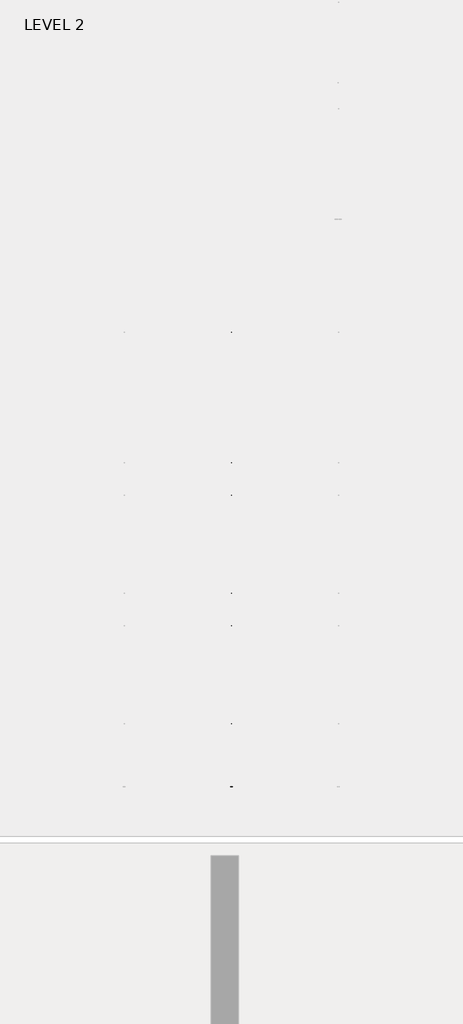
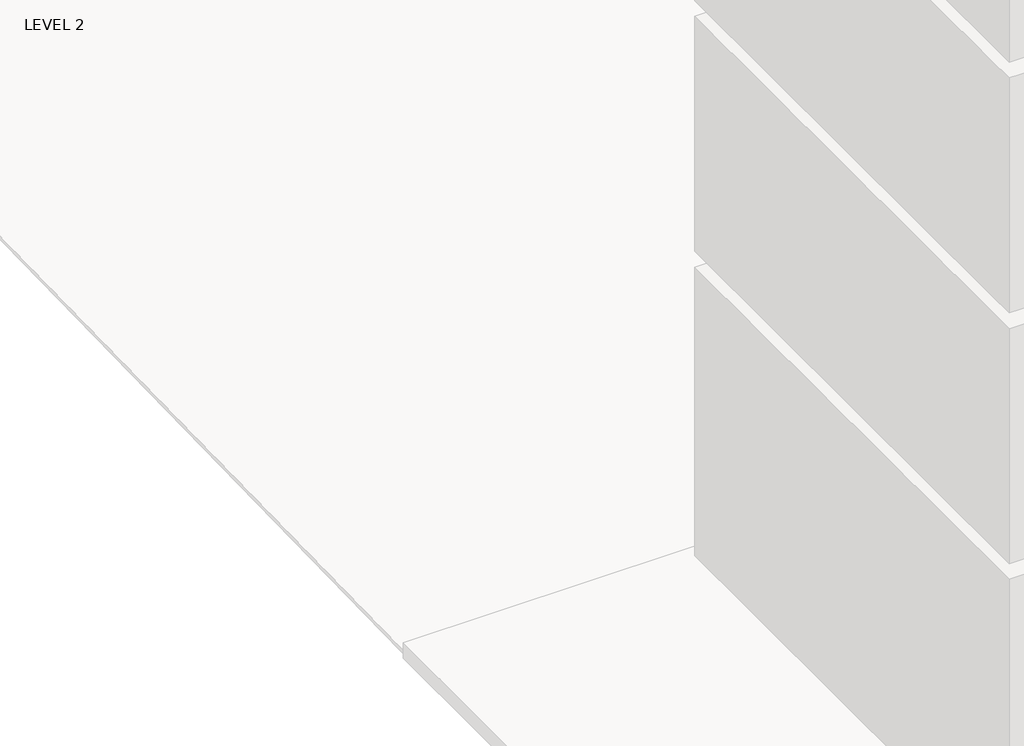
# One storey, part 7 of 67: 1 beam.
"""IFC4 building model written with IfcOpenShell, lengths in millimetres."""

from ifc_helpers import new_model, si_unit, frame, origin, place, context, project, spatial, polyline, outline, extrude, faceted_brep, element, save

model = new_model("IFC4")

# Units and contexts
model_context = context("Model", 3, world=origin())
ifc_project = project(units=[si_unit("LENGTHUNIT", "METRE", prefix="MILLI")], contexts=[model_context])

# Site, building, storey
site = spatial("IfcSite", under=ifc_project)
building = spatial("IfcBuilding", under=site)
storey = spatial("IfcBuildingStorey", under=building, Name="LEVEL 2", Elevation=6908.8)

# Beam
placement = place(None, origin())
element("IfcBeam", 1, ObjectType="K-Series Bar Joist-Angle Web : 12K3", at=placement, inside=storey, context=model_context, shape_type="SolidModel", body=[
    extrude(outline(polyline([(0.0, -9.525), (0.0, 0.0), (573.7533355, 0.0), (573.7533355, -9.525), (0.0, -9.525)])), frame((8848.9214942, -8385.0186154, 6290.642393), z_axis=(0.0, -0.4818349920092015, 0.8762619702323574), x_axis=(0.0, -0.8762619702323574, -0.4818349920092015)), (0.0, 0.0, 1.0), 9.525),
    extrude(outline(polyline([(0.0, -9.525), (0.0, 0.0), (573.7533355, 0.0), (573.7533355, -9.525), (0.0, -9.525)])), frame((8839.3964942, -14433.5194078, 6173.8880704), z_axis=(0.0, 0.44765965421324366, 0.8942040225752058), x_axis=(0.0, 0.8942040225752058, -0.44765965421324366)), (0.0, 0.0, 1.0), 9.525),
    extrude(outline(polyline([(4.7625, 4.7625001), (4.7625, -4.7624999), (-4.7625, -4.7624999), (-4.7625, 4.7625001), (4.7625, 4.7625001)])), frame((8844.1589942, -8890.0715827, 6018.3611568), z_axis=(0.0, 0.5424886851405856, 0.8400631086379396), x_axis=(-1.0, 0.0, 0.0)), (0.0, 0.0, 1.0), 321.5434366),
    extrude(outline(polyline([(4.7625, 4.7625), (4.7625, -4.7624999), (-4.7625, -4.7624999), (-4.7625, 4.7625), (4.7625, 4.7625)])), frame((8844.1589942, -13918.3348881, 5921.3004973), z_axis=(0.0, -0.5745039938209179, 0.8185017783021701), x_axis=(-1.0, 0.0, 0.0)), (0.0, 0.0, 1.0), 321.5434366),
    extrude(outline(polyline([(0.0, 0.0), (31.75, 0.0), (31.75, -6.35), (6.35, -6.35), (6.35, -31.75), (0.0, -31.75), (0.0, 0.0)])), frame((8848.9214942, -14019.7934137, 5912.9908586), z_axis=(0.0, 0.9998137487857749, 0.019299423279865956), x_axis=(1.0, 0.0, 0.0)), (0.0, 0.0, 1.0), 5232.4),
    extrude(outline(polyline([(-9.525, 0.0), (-9.525, -31.75), (-15.875, -31.75), (-15.875, -6.35), (-41.275, -6.35), (-41.275, 0.0), (-9.525, 0.0)])), frame((8848.9214942, -14019.7934137, 5912.9908586), z_axis=(0.0, 0.9998137487857749, 0.019299423279865956), x_axis=(1.0, 0.0, 0.0)), (0.0, 0.0, 1.0), 5232.4),
    extrude(outline(polyline([(-31.75, 0.0), (0.0, 0.0), (0.0, -6.35), (-25.4, -6.35), (-25.4, -31.75), (-31.75, -31.75), (-31.75, 0.0)])), frame((8880.6714942, -14532.3557489, 6144.4418091), z_axis=(0.0, 0.9998137487857749, 0.019299423279865956), x_axis=(1.0, 0.0, 0.0)), (0.0, 0.0, 1.0), 101.6),
    extrude(outline(polyline([(-41.275, 0.0), (-41.275, -31.75), (-47.625, -31.75), (-47.625, -6.35), (-73.025, -6.35), (-73.025, 0.0), (-41.275, 0.0)])), frame((8880.6714942, -14532.3557489, 6144.4418091), z_axis=(0.0, 0.9998137487857749, 0.019299423279865956), x_axis=(1.0, 0.0, 0.0)), (0.0, 0.0, 1.0), 101.6),
    extrude(outline(polyline([(0.0, 0.0), (31.75, 0.0), (31.75, -6.35), (6.35, -6.35), (6.35, -31.75), (0.0, -31.75), (0.0, 0.0)])), frame((8839.3964942, -8386.7005979, 6263.0715041), z_axis=(0.0, 0.9998137487857749, 0.019299423279865956), x_axis=(0.0, -0.019299423279865956, 0.9998137487857749)), (0.0, 0.0, 1.0), 101.6),
    extrude(outline(polyline([(0.0, 41.275), (6.35, 41.275), (6.35, 15.875), (31.75, 15.875), (31.75, 9.525), (0.0, 9.525), (0.0, 41.275)])), frame((8839.3964942, -8386.7005979, 6263.0715041), z_axis=(0.0, 0.9998137487857749, 0.019299423279865956), x_axis=(0.0, -0.019299423279865956, 0.9998137487857749)), (0.0, 0.0, 1.0), 101.6),
    extrude(outline(polyline([(0.0, 0.0), (31.7500001, 0.0), (31.7500001, -6.35), (6.35, -6.35), (6.35, -31.75), (0.0, -31.75), (0.0, 0.0)])), frame((8848.9214942, -14533.5812623, 6207.9299822), z_axis=(0.0, 0.9998137487857749, 0.019299423279865956), x_axis=(0.0, 0.019299423279865956, -0.9998137487857749)), (0.0, 0.0, 1.0), 6248.4),
    extrude(outline(polyline([(0.0, 9.525), (0.0, 41.275), (6.35, 41.275), (6.35, 15.875), (31.7500001, 15.875), (31.7500001, 9.525), (0.0, 9.525)])), frame((8848.9214942, -14533.5812623, 6207.9299822), z_axis=(0.0, 0.9998137487857749, 0.019299423279865956), x_axis=(0.0, 0.019299423279865956, -0.9998137487857749)), (0.0, 0.0, 1.0), 6248.4),
    faceted_brep([(8844.1589942, -8890.3779611, 6034.2332001), (8844.1589942, -8890.0103071, 6015.1867482), (8839.3964942, -8890.0103071, 6015.1867482), (8839.3964942, -8890.3779611, 6034.2332001), (8844.1589942, -8891.3227899, 6034.214962), (8844.1589942, -9063.5982465, 6310.341574), (8844.1589942, -9081.6998696, 6309.992158), (8844.1589942, -9081.3322156, 6290.9457061), (8844.1589942, -9074.0385694, 6291.0864955), (8844.1589942, -8901.7631128, 6014.9598835), (8839.3964942, -8901.7631128, 6014.9598835), (8839.3964942, -8923.2975449, 6049.47571), (8839.3964942, -8919.2569571, 6051.9966337), (8839.3964942, -9060.2096034, 6277.9184071), (8839.3964942, -9064.2501912, 6275.3974835), (8839.3964942, -9074.0385694, 6291.0864955), (8839.3964942, -9081.3322156, 6290.9457061), (8839.3964942, -9081.6998696, 6309.992158), (8839.3964942, -9063.5982465, 6310.341574), (8839.3964942, -8891.3227899, 6034.214962), (8826.6964942, -9064.2501912, 6275.3974835), (8826.6964942, -8923.2975449, 6049.47571), (8826.6964942, -8919.2569571, 6051.9966337), (8826.6964942, -9060.2096034, 6277.9184071)], [[[0, 1, 2, 3]], [[1, 0, 4, 5, 6, 7, 8, 9]], [[2, 1, 9, 10]], [[3, 2, 10, 11, 12, 13, 14, 15, 16, 17, 18, 19]], [[0, 3, 19, 4]], [[9, 8, 15, 14, 20, 21, 11, 10]], [[5, 4, 19, 18]], [[7, 6, 17, 16]], [[8, 7, 16, 15]], [[6, 5, 18, 17]], [[21, 22, 12, 11]], [[20, 14, 13, 23]], [[22, 21, 20, 23]], [[12, 22, 23, 13]]]),
    extrude(outline(polyline([(-9249.1719717, 6008.2538439), (-9249.5396258, 6027.3002958), (-9248.5947969, 6027.3185339), (-9087.103858, 6309.8878447), (-9069.002235, 6310.2372607), (-9068.634581, 6291.1908088), (-9075.9282271, 6291.0500194), (-9237.419166, 6008.4807085), (-9249.1719717, 6008.2538439)])), frame((8844.1589942, 0.0, 0.0), z_axis=(1.0, 0.0, 0.0), x_axis=(0.0, 1.0, 0.0)), (0.0, 0.0, 1.0), 4.7625),
    extrude(outline(polyline([(-4.7625, 4.7625), (-4.7625, 0.0), (-17.4625, 0.0), (-17.4625, 4.7625), (-4.7625, 4.7625)])), frame((8844.1589942, -9217.2327986, 6043.8018724), z_axis=(0.0, 0.49619165796075254, 0.8682130145132355), x_axis=(-1.0, 0.0, 0.0)), (0.0, 0.0, 1.0), 266.2861172),
    faceted_brep([(8844.1589942, -13559.4796018, 5944.1054448), (8844.1589942, -13559.1119478, 5925.0589929), (8839.3964942, -13559.1119478, 5925.0589929), (8839.3964942, -13559.4796018, 5944.1054448), (8844.1589942, -13560.4244307, 5944.0872067), (8844.1589942, -13732.6998872, 6220.2138187), (8844.1589942, -13750.8015103, 6219.8644027), (8844.1589942, -13750.4338563, 6200.8179508), (8844.1589942, -13743.1402101, 6200.9587402), (8844.1589942, -13570.8647535, 5924.8321282), (8839.3964942, -13570.8647535, 5924.8321282), (8839.3964942, -13592.3991856, 5959.3479547), (8839.3964942, -13588.3585978, 5961.8688784), (8839.3964942, -13729.3112441, 6187.7906518), (8839.3964942, -13733.3518319, 6185.2697282), (8839.3964942, -13743.1402101, 6200.9587402), (8839.3964942, -13750.4338563, 6200.8179508), (8839.3964942, -13750.8015103, 6219.8644027), (8839.3964942, -13732.6998872, 6220.2138187), (8839.3964942, -13560.4244307, 5944.0872067), (8826.6964942, -13733.3518319, 6185.2697282), (8826.6964942, -13592.3991856, 5959.3479547), (8826.6964942, -13588.3585978, 5961.8688784), (8826.6964942, -13729.3112441, 6187.7906518)], [[[0, 1, 2, 3]], [[1, 0, 4, 5, 6, 7, 8, 9]], [[2, 1, 9, 10]], [[3, 2, 10, 11, 12, 13, 14, 15, 16, 17, 18, 19]], [[0, 3, 19, 4]], [[9, 8, 15, 14, 20, 21, 11, 10]], [[5, 4, 19, 18]], [[7, 6, 17, 16]], [[8, 7, 16, 15]], [[6, 5, 18, 17]], [[21, 22, 12, 11]], [[20, 14, 13, 23]], [[22, 21, 20, 23]], [[12, 22, 23, 13]]]),
    extrude(outline(polyline([(-13918.2736125, 5918.1260886), (-13918.6412665, 5937.1725405), (-13917.6964376, 5937.1907786), (-13756.2054988, 6219.7600894), (-13738.1038757, 6220.1095054), (-13737.7362217, 6201.0630535), (-13745.0298678, 6200.9222641), (-13906.5208067, 5918.3529532), (-13918.2736125, 5918.1260886)])), frame((8844.1589942, 0.0, 0.0), z_axis=(1.0, 0.0, 0.0), x_axis=(0.0, 1.0, 0.0)), (0.0, 0.0, 1.0), 4.7625),
    extrude(outline(polyline([(-4.7625, 4.7625), (-4.7625, 0.0), (-17.4625, 0.0), (-17.4625, 4.7625), (-4.7625, 4.7625)])), frame((8844.1589942, -13886.3344393, 5953.6741171), z_axis=(0.0, 0.49619165796075254, 0.8682130145132355), x_axis=(-1.0, 0.0, 0.0)), (0.0, 0.0, 1.0), 266.2861172),
    faceted_brep([(8844.1589942, -9249.5396258, 6027.3002958), (8844.1589942, -9249.1719717, 6008.2538439), (8839.3964942, -9249.1719717, 6008.2538439), (8839.3964942, -9249.5396258, 6027.3002958), (8844.1589942, -9250.4844546, 6027.2820578), (8844.1589942, -9422.7599112, 6303.4086697), (8844.1589942, -9440.8615343, 6303.0592538), (8844.1589942, -9440.4938802, 6284.0128019), (8844.1589942, -9433.2002341, 6284.1535912), (8844.1589942, -9260.9247775, 6008.0269793), (8839.3964942, -9260.9247775, 6008.0269793), (8839.3964942, -9282.4592096, 6042.5428058), (8839.3964942, -9278.4186217, 6045.0637295), (8839.3964942, -9419.371268, 6270.9855029), (8839.3964942, -9423.4118559, 6268.4645792), (8839.3964942, -9433.2002341, 6284.1535912), (8839.3964942, -9440.4938802, 6284.0128019), (8839.3964942, -9440.8615343, 6303.0592538), (8839.3964942, -9422.7599112, 6303.4086697), (8839.3964942, -9250.4844546, 6027.2820578), (8826.6964942, -9423.4118559, 6268.4645792), (8826.6964942, -9282.4592096, 6042.5428058), (8826.6964942, -9278.4186217, 6045.0637295), (8826.6964942, -9419.371268, 6270.9855029)], [[[0, 1, 2, 3]], [[1, 0, 4, 5, 6, 7, 8, 9]], [[2, 1, 9, 10]], [[3, 2, 10, 11, 12, 13, 14, 15, 16, 17, 18, 19]], [[0, 3, 19, 4]], [[9, 8, 15, 14, 20, 21, 11, 10]], [[5, 4, 19, 18]], [[7, 6, 17, 16]], [[8, 7, 16, 15]], [[6, 5, 18, 17]], [[21, 22, 12, 11]], [[20, 14, 13, 23]], [[22, 21, 20, 23]], [[12, 22, 23, 13]]]),
    extrude(outline(polyline([(-9608.3336364, 6001.3209397), (-9608.7012904, 6020.3673916), (-9607.7564616, 6020.3856296), (-9446.2655227, 6302.9549405), (-9428.1638996, 6303.3043565), (-9427.7962456, 6284.2579045), (-9435.0898918, 6284.1171152), (-9596.5808306, 6001.5478043), (-9608.3336364, 6001.3209397)])), frame((8844.1589942, 0.0, 0.0), z_axis=(1.0, 0.0, 0.0), x_axis=(0.0, 1.0, 0.0)), (0.0, 0.0, 1.0), 4.7625),
    extrude(outline(polyline([(-4.7625, 4.7625), (-4.7625, 0.0), (-17.4625, 0.0), (-17.4625, 4.7625), (-4.7625, 4.7625)])), frame((8844.1589942, -9576.3944633, 6036.8689681), z_axis=(0.0, 0.49619165796075254, 0.8682130145132355), x_axis=(-1.0, 0.0, 0.0)), (0.0, 0.0, 1.0), 266.2861172),
    faceted_brep([(8844.1589942, -9608.7012904, 6020.3673916), (8844.1589942, -9608.3336364, 6001.3209397), (8839.3964942, -9608.3336364, 6001.3209397), (8839.3964942, -9608.7012904, 6020.3673916), (8844.1589942, -9609.6461193, 6020.3491535), (8844.1589942, -9781.9215759, 6296.4757655), (8844.1589942, -9800.0231989, 6296.1263495), (8844.1589942, -9799.6555449, 6277.0798976), (8844.1589942, -9792.3618988, 6277.220687), (8844.1589942, -9620.0864422, 6001.094075), (8839.3964942, -9620.0864422, 6001.094075), (8839.3964942, -9641.6208742, 6035.6099015), (8839.3964942, -9637.5802864, 6038.1308252), (8839.3964942, -9778.5329327, 6264.0525986), (8839.3964942, -9782.5735205, 6261.531675), (8839.3964942, -9792.3618988, 6277.220687), (8839.3964942, -9799.6555449, 6277.0798976), (8839.3964942, -9800.0231989, 6296.1263495), (8839.3964942, -9781.9215759, 6296.4757655), (8839.3964942, -9609.6461193, 6020.3491535), (8826.6964942, -9782.5735205, 6261.531675), (8826.6964942, -9641.6208742, 6035.6099015), (8826.6964942, -9637.5802864, 6038.1308252), (8826.6964942, -9778.5329327, 6264.0525986)], [[[0, 1, 2, 3]], [[1, 0, 4, 5, 6, 7, 8, 9]], [[2, 1, 9, 10]], [[3, 2, 10, 11, 12, 13, 14, 15, 16, 17, 18, 19]], [[0, 3, 19, 4]], [[9, 8, 15, 14, 20, 21, 11, 10]], [[5, 4, 19, 18]], [[7, 6, 17, 16]], [[8, 7, 16, 15]], [[6, 5, 18, 17]], [[21, 22, 12, 11]], [[20, 14, 13, 23]], [[22, 21, 20, 23]], [[12, 22, 23, 13]]]),
    extrude(outline(polyline([(-9967.4953011, 5994.3880354), (-9967.8629551, 6013.4344873), (-9966.9181262, 6013.4527254), (-9805.4271874, 6296.0220362), (-9787.3255643, 6296.3714522), (-9786.9579103, 6277.3250003), (-9794.2515565, 6277.1842109), (-9955.7424953, 5994.6149), (-9967.4953011, 5994.3880354)])), frame((8844.1589942, 0.0, 0.0), z_axis=(1.0, 0.0, 0.0), x_axis=(0.0, 1.0, 0.0)), (0.0, 0.0, 1.0), 4.7625),
    extrude(outline(polyline([(-4.7625, 4.7624999), (-4.7625, 0.0), (-17.4625, 0.0), (-17.4625, 4.7624999), (-4.7625, 4.7624999)])), frame((8844.1589942, -9935.556128, 6029.9360639), z_axis=(0.0, 0.49619165796075254, 0.8682130145132355), x_axis=(-1.0, 0.0, 0.0)), (0.0, 0.0, 1.0), 266.2861172),
    faceted_brep([(8844.1589942, -9967.8629551, 6013.4344873), (8844.1589942, -9967.4953011, 5994.3880354), (8839.3964942, -9967.4953011, 5994.3880354), (8839.3964942, -9967.8629551, 6013.4344873), (8844.1589942, -9968.8077839, 6013.4162493), (8844.1589942, -10141.0832405, 6289.5428612), (8844.1589942, -10159.1848636, 6289.1934453), (8844.1589942, -10158.8172096, 6270.1469934), (8844.1589942, -10151.5235634, 6270.2877827), (8844.1589942, -9979.2481068, 5994.1611708), (8839.3964942, -9979.2481068, 5994.1611708), (8839.3964942, -10000.7825389, 6028.6769973), (8839.3964942, -9996.7419511, 6031.197921), (8839.3964942, -10137.6945974, 6257.1196944), (8839.3964942, -10141.7351852, 6254.5987707), (8839.3964942, -10151.5235634, 6270.2877827), (8839.3964942, -10158.8172096, 6270.1469934), (8839.3964942, -10159.1848636, 6289.1934453), (8839.3964942, -10141.0832405, 6289.5428612), (8839.3964942, -9968.8077839, 6013.4162493), (8826.6964942, -10141.7351852, 6254.5987707), (8826.6964942, -10000.7825389, 6028.6769973), (8826.6964942, -9996.7419511, 6031.197921), (8826.6964942, -10137.6945974, 6257.1196944)], [[[0, 1, 2, 3]], [[1, 0, 4, 5, 6, 7, 8, 9]], [[2, 1, 9, 10]], [[3, 2, 10, 11, 12, 13, 14, 15, 16, 17, 18, 19]], [[0, 3, 19, 4]], [[9, 8, 15, 14, 20, 21, 11, 10]], [[5, 4, 19, 18]], [[7, 6, 17, 16]], [[8, 7, 16, 15]], [[6, 5, 18, 17]], [[21, 22, 12, 11]], [[20, 14, 13, 23]], [[22, 21, 20, 23]], [[12, 22, 23, 13]]]),
    extrude(outline(polyline([(-10326.6569657, 5987.4551312), (-10327.0246198, 6006.5015831), (-10326.0797909, 6006.5198211), (-10164.5888521, 6289.089132), (-10146.487229, 6289.4385479), (-10146.119575, 6270.392096), (-10153.4132211, 6270.2513066), (-10314.90416, 5987.6819958), (-10326.6569657, 5987.4551312)])), frame((8844.1589942, 0.0, 0.0), z_axis=(1.0, 0.0, 0.0), x_axis=(0.0, 1.0, 0.0)), (0.0, 0.0, 1.0), 4.7625),
    extrude(outline(polyline([(-4.7625, 4.7625), (-4.7625, 0.0), (-17.4625, 0.0), (-17.4625, 4.7625), (-4.7625, 4.7625)])), frame((8844.1589942, -10294.7177926, 6023.0031596), z_axis=(0.0, 0.49619165796075254, 0.8682130145132355), x_axis=(-1.0, 0.0, 0.0)), (0.0, 0.0, 1.0), 266.2861172),
    faceted_brep([(8844.1589942, -10327.0246198, 6006.5015831), (8844.1589942, -10326.6569657, 5987.4551312), (8839.3964942, -10326.6569657, 5987.4551312), (8839.3964942, -10327.0246198, 6006.5015831), (8844.1589942, -10327.9694486, 6006.483345), (8844.1589942, -10500.2449052, 6282.609957), (8844.1589942, -10518.3465283, 6282.260541), (8844.1589942, -10517.9788743, 6263.2140891), (8844.1589942, -10510.6852281, 6263.3548785), (8844.1589942, -10338.4097715, 5987.2282665), (8839.3964942, -10338.4097715, 5987.2282665), (8839.3964942, -10359.9442036, 6021.744093), (8839.3964942, -10355.9036157, 6024.2650167), (8839.3964942, -10496.856262, 6250.1867901), (8839.3964942, -10500.8968499, 6247.6658664), (8839.3964942, -10510.6852281, 6263.3548785), (8839.3964942, -10517.9788743, 6263.2140891), (8839.3964942, -10518.3465283, 6282.260541), (8839.3964942, -10500.2449052, 6282.609957), (8839.3964942, -10327.9694486, 6006.483345), (8826.6964942, -10500.8968499, 6247.6658664), (8826.6964942, -10359.9442036, 6021.744093), (8826.6964942, -10355.9036157, 6024.2650167), (8826.6964942, -10496.856262, 6250.1867901)], [[[0, 1, 2, 3]], [[1, 0, 4, 5, 6, 7, 8, 9]], [[2, 1, 9, 10]], [[3, 2, 10, 11, 12, 13, 14, 15, 16, 17, 18, 19]], [[0, 3, 19, 4]], [[9, 8, 15, 14, 20, 21, 11, 10]], [[5, 4, 19, 18]], [[7, 6, 17, 16]], [[8, 7, 16, 15]], [[6, 5, 18, 17]], [[21, 22, 12, 11]], [[20, 14, 13, 23]], [[22, 21, 20, 23]], [[12, 22, 23, 13]]]),
    extrude(outline(polyline([(-10685.8186304, 5980.5222269), (-10686.1862844, 5999.5686788), (-10685.2414556, 5999.5869169), (-10523.7505167, 6282.1562277), (-10505.6488937, 6282.5056437), (-10505.2812396, 6263.4591918), (-10512.5748858, 6263.3184024), (-10674.0658247, 5980.7490915), (-10685.8186304, 5980.5222269)])), frame((8844.1589942, 0.0, 0.0), z_axis=(1.0, 0.0, 0.0), x_axis=(0.0, 1.0, 0.0)), (0.0, 0.0, 1.0), 4.7625),
    extrude(outline(polyline([(-4.7625, 4.7625), (-4.7625, 0.0), (-17.4625, 0.0), (-17.4625, 4.7625), (-4.7625, 4.7625)])), frame((8844.1589942, -10653.8794573, 6016.0702554), z_axis=(0.0, 0.49619165796075254, 0.8682130145132355), x_axis=(-1.0, 0.0, 0.0)), (0.0, 0.0, 1.0), 266.2861172),
    faceted_brep([(8844.1589942, -10686.1862844, 5999.5686788), (8844.1589942, -10685.8186304, 5980.5222269), (8839.3964942, -10685.8186304, 5980.5222269), (8839.3964942, -10686.1862844, 5999.5686788), (8844.1589942, -10687.1311133, 5999.5504408), (8844.1589942, -10859.4065699, 6275.6770527), (8844.1589942, -10877.5081929, 6275.3276368), (8844.1589942, -10877.1405389, 6256.2811848), (8844.1589942, -10869.8468928, 6256.4219742), (8844.1589942, -10697.5714362, 5980.2953623), (8839.3964942, -10697.5714362, 5980.2953623), (8839.3964942, -10719.1058683, 6014.8111888), (8839.3964942, -10715.0652804, 6017.3321124), (8839.3964942, -10856.0179267, 6243.2538859), (8839.3964942, -10860.0585146, 6240.7329622), (8839.3964942, -10869.8468928, 6256.4219742), (8839.3964942, -10877.1405389, 6256.2811848), (8839.3964942, -10877.5081929, 6275.3276368), (8839.3964942, -10859.4065699, 6275.6770527), (8839.3964942, -10687.1311133, 5999.5504408), (8826.6964942, -10860.0585146, 6240.7329622), (8826.6964942, -10719.1058683, 6014.8111888), (8826.6964942, -10715.0652804, 6017.3321124), (8826.6964942, -10856.0179267, 6243.2538859)], [[[0, 1, 2, 3]], [[1, 0, 4, 5, 6, 7, 8, 9]], [[2, 1, 9, 10]], [[3, 2, 10, 11, 12, 13, 14, 15, 16, 17, 18, 19]], [[0, 3, 19, 4]], [[9, 8, 15, 14, 20, 21, 11, 10]], [[5, 4, 19, 18]], [[7, 6, 17, 16]], [[8, 7, 16, 15]], [[6, 5, 18, 17]], [[21, 22, 12, 11]], [[20, 14, 13, 23]], [[22, 21, 20, 23]], [[12, 22, 23, 13]]]),
    extrude(outline(polyline([(-11044.9802951, 5973.5893226), (-11045.3479491, 5992.6357746), (-11044.4031203, 5992.6540126), (-10882.9121814, 6275.2233235), (-10864.8105583, 6275.5727394), (-10864.4429043, 6256.5262875), (-10871.7365505, 6256.3854981), (-11033.2274893, 5973.8161873), (-11044.9802951, 5973.5893226)])), frame((8844.1589942, 0.0, 0.0), z_axis=(1.0, 0.0, 0.0), x_axis=(0.0, 1.0, 0.0)), (0.0, 0.0, 1.0), 4.7625),
    extrude(outline(polyline([(-4.7625, 4.7625), (-4.7625, 0.0), (-17.4625, 0.0), (-17.4625, 4.7625), (-4.7625, 4.7625)])), frame((8844.1589942, -11013.041122, 6009.1373511), z_axis=(0.0, 0.49619165796075254, 0.8682130145132355), x_axis=(-1.0, 0.0, 0.0)), (0.0, 0.0, 1.0), 266.2861172),
    faceted_brep([(8844.1589942, -11045.3479491, 5992.6357746), (8844.1589942, -11044.9802951, 5973.5893226), (8839.3964942, -11044.9802951, 5973.5893226), (8839.3964942, -11045.3479491, 5992.6357746), (8844.1589942, -11046.292778, 5992.6175365), (8844.1589942, -11218.5682345, 6268.7441485), (8844.1589942, -11236.6698576, 6268.3947325), (8844.1589942, -11236.3022036, 6249.3482806), (8844.1589942, -11229.0085574, 6249.48907), (8844.1589942, -11056.7331009, 5973.362458), (8839.3964942, -11056.7331009, 5973.362458), (8839.3964942, -11078.2675329, 6007.8782845), (8839.3964942, -11074.2269451, 6010.3992082), (8839.3964942, -11215.1795914, 6236.3209816), (8839.3964942, -11219.2201792, 6233.8000579), (8839.3964942, -11229.0085574, 6249.48907), (8839.3964942, -11236.3022036, 6249.3482806), (8839.3964942, -11236.6698576, 6268.3947325), (8839.3964942, -11218.5682345, 6268.7441485), (8839.3964942, -11046.292778, 5992.6175365), (8826.6964942, -11219.2201792, 6233.8000579), (8826.6964942, -11078.2675329, 6007.8782845), (8826.6964942, -11074.2269451, 6010.3992082), (8826.6964942, -11215.1795914, 6236.3209816)], [[[0, 1, 2, 3]], [[1, 0, 4, 5, 6, 7, 8, 9]], [[2, 1, 9, 10]], [[3, 2, 10, 11, 12, 13, 14, 15, 16, 17, 18, 19]], [[0, 3, 19, 4]], [[9, 8, 15, 14, 20, 21, 11, 10]], [[5, 4, 19, 18]], [[7, 6, 17, 16]], [[8, 7, 16, 15]], [[6, 5, 18, 17]], [[21, 22, 12, 11]], [[20, 14, 13, 23]], [[22, 21, 20, 23]], [[12, 22, 23, 13]]]),
    extrude(outline(polyline([(-11404.1419598, 5966.6564184), (-11404.5096138, 5985.7028703), (-11403.5647849, 5985.7211084), (-11242.0738461, 6268.2904192), (-11223.972223, 6268.6398352), (-11223.604569, 6249.5933833), (-11230.8982151, 6249.4525939), (-11392.389154, 5966.883283), (-11404.1419598, 5966.6564184)])), frame((8844.1589942, 0.0, 0.0), z_axis=(1.0, 0.0, 0.0), x_axis=(0.0, 1.0, 0.0)), (0.0, 0.0, 1.0), 4.7625),
    extrude(outline(polyline([(-4.7625, 4.7625), (-4.7625, 0.0), (-17.4625, 0.0), (-17.4625, 4.7625), (-4.7625, 4.7625)])), frame((8844.1589942, -11372.2027866, 6002.2044469), z_axis=(0.0, 0.49619165796075254, 0.8682130145132355), x_axis=(-1.0, 0.0, 0.0)), (0.0, 0.0, 1.0), 266.2861172),
    faceted_brep([(8844.1589942, -11404.5096138, 5985.7028703), (8844.1589942, -11404.1419598, 5966.6564184), (8839.3964942, -11404.1419598, 5966.6564184), (8839.3964942, -11404.5096138, 5985.7028703), (8844.1589942, -11405.4544426, 5985.6846323), (8844.1589942, -11577.7298992, 6261.8112442), (8844.1589942, -11595.8315223, 6261.4618283), (8844.1589942, -11595.4638683, 6242.4153763), (8844.1589942, -11588.1702221, 6242.5561657), (8844.1589942, -11415.8947655, 5966.4295538), (8839.3964942, -11415.8947655, 5966.4295538), (8839.3964942, -11437.4291976, 6000.9453803), (8839.3964942, -11433.3886098, 6003.4663039), (8839.3964942, -11574.3412561, 6229.3880774), (8839.3964942, -11578.3818439, 6226.8671537), (8839.3964942, -11588.1702221, 6242.5561657), (8839.3964942, -11595.4638683, 6242.4153763), (8839.3964942, -11595.8315223, 6261.4618283), (8839.3964942, -11577.7298992, 6261.8112442), (8839.3964942, -11405.4544426, 5985.6846323), (8826.6964942, -11578.3818439, 6226.8671537), (8826.6964942, -11437.4291976, 6000.9453803), (8826.6964942, -11433.3886098, 6003.4663039), (8826.6964942, -11574.3412561, 6229.3880774)], [[[0, 1, 2, 3]], [[1, 0, 4, 5, 6, 7, 8, 9]], [[2, 1, 9, 10]], [[3, 2, 10, 11, 12, 13, 14, 15, 16, 17, 18, 19]], [[0, 3, 19, 4]], [[9, 8, 15, 14, 20, 21, 11, 10]], [[5, 4, 19, 18]], [[7, 6, 17, 16]], [[8, 7, 16, 15]], [[6, 5, 18, 17]], [[21, 22, 12, 11]], [[20, 14, 13, 23]], [[22, 21, 20, 23]], [[12, 22, 23, 13]]]),
    extrude(outline(polyline([(-11763.3036244, 5959.7235141), (-11763.6712784, 5978.7699661), (-11762.7264496, 5978.7882041), (-11601.2355107, 6261.357515), (-11583.1338877, 6261.7069309), (-11582.7662337, 6242.660479), (-11590.0598798, 6242.5196896), (-11751.5508187, 5959.9503788), (-11763.3036244, 5959.7235141)])), frame((8844.1589942, 0.0, 0.0), z_axis=(1.0, 0.0, 0.0), x_axis=(0.0, 1.0, 0.0)), (0.0, 0.0, 1.0), 4.7625),
    extrude(outline(polyline([(-4.7625, 4.7625), (-4.7625, 0.0), (-17.4625, 0.0), (-17.4625, 4.7625), (-4.7625, 4.7625)])), frame((8844.1589942, -11731.3644513, 5995.2715426), z_axis=(0.0, 0.49619165796075254, 0.8682130145132355), x_axis=(-1.0, 0.0, 0.0)), (0.0, 0.0, 1.0), 266.2861172),
    faceted_brep([(8844.1589942, -11763.6712784, 5978.7699661), (8844.1589942, -11763.3036244, 5959.7235141), (8839.3964942, -11763.3036244, 5959.7235141), (8839.3964942, -11763.6712784, 5978.7699661), (8844.1589942, -11764.6161073, 5978.751728), (8844.1589942, -11936.8915639, 6254.87834), (8844.1589942, -11954.993187, 6254.528924), (8844.1589942, -11954.6255329, 6235.4824721), (8844.1589942, -11947.3318868, 6235.6232615), (8844.1589942, -11775.0564302, 5959.4966495), (8839.3964942, -11775.0564302, 5959.4966495), (8839.3964942, -11796.5908623, 5994.012476), (8839.3964942, -11792.5502744, 5996.5333997), (8839.3964942, -11933.5029207, 6222.4551731), (8839.3964942, -11937.5435086, 6219.9342494), (8839.3964942, -11947.3318868, 6235.6232615), (8839.3964942, -11954.6255329, 6235.4824721), (8839.3964942, -11954.993187, 6254.528924), (8839.3964942, -11936.8915639, 6254.87834), (8839.3964942, -11764.6161073, 5978.751728), (8826.6964942, -11937.5435086, 6219.9342494), (8826.6964942, -11796.5908623, 5994.012476), (8826.6964942, -11792.5502744, 5996.5333997), (8826.6964942, -11933.5029207, 6222.4551731)], [[[0, 1, 2, 3]], [[1, 0, 4, 5, 6, 7, 8, 9]], [[2, 1, 9, 10]], [[3, 2, 10, 11, 12, 13, 14, 15, 16, 17, 18, 19]], [[0, 3, 19, 4]], [[9, 8, 15, 14, 20, 21, 11, 10]], [[5, 4, 19, 18]], [[7, 6, 17, 16]], [[8, 7, 16, 15]], [[6, 5, 18, 17]], [[21, 22, 12, 11]], [[20, 14, 13, 23]], [[22, 21, 20, 23]], [[12, 22, 23, 13]]]),
    extrude(outline(polyline([(-12122.4652891, 5952.7906099), (-12122.8329431, 5971.8370618), (-12121.8881143, 5971.8552998), (-11960.3971754, 6254.4246107), (-11942.2955523, 6254.7740267), (-11941.9278983, 6235.7275748), (-11949.2215445, 6235.5867854), (-12110.7124833, 5953.0174745), (-12122.4652891, 5952.7906099)])), frame((8844.1589942, 0.0, 0.0), z_axis=(1.0, 0.0, 0.0), x_axis=(0.0, 1.0, 0.0)), (0.0, 0.0, 1.0), 4.7625),
    extrude(outline(polyline([(-4.7625, 4.7625), (-4.7625, 0.0), (-17.4625, 0.0), (-17.4625, 4.7625), (-4.7625, 4.7625)])), frame((8844.1589942, -12090.526116, 5988.3386384), z_axis=(0.0, 0.49619165796075254, 0.8682130145132355), x_axis=(-1.0, 0.0, 0.0)), (0.0, 0.0, 1.0), 266.2861172),
    faceted_brep([(8844.1589942, -12122.8329431, 5971.8370618), (8844.1589942, -12122.4652891, 5952.7906099), (8839.3964942, -12122.4652891, 5952.7906099), (8839.3964942, -12122.8329431, 5971.8370618), (8844.1589942, -12123.777772, 5971.8188237), (8844.1589942, -12296.0532286, 6247.9454357), (8844.1589942, -12314.1548516, 6247.5960197), (8844.1589942, -12313.7871976, 6228.5495678), (8844.1589942, -12306.4935515, 6228.6903572), (8844.1589942, -12134.2180949, 5952.5637453), (8839.3964942, -12134.2180949, 5952.5637453), (8839.3964942, -12155.7525269, 5987.0795718), (8839.3964942, -12151.7119391, 5989.6004954), (8839.3964942, -12292.6645854, 6215.5222688), (8839.3964942, -12296.7051732, 6213.0013452), (8839.3964942, -12306.4935515, 6228.6903572), (8839.3964942, -12313.7871976, 6228.5495678), (8839.3964942, -12314.1548516, 6247.5960197), (8839.3964942, -12296.0532286, 6247.9454357), (8839.3964942, -12123.777772, 5971.8188237), (8826.6964942, -12296.7051732, 6213.0013452), (8826.6964942, -12155.7525269, 5987.0795718), (8826.6964942, -12151.7119391, 5989.6004954), (8826.6964942, -12292.6645854, 6215.5222688)], [[[0, 1, 2, 3]], [[1, 0, 4, 5, 6, 7, 8, 9]], [[2, 1, 9, 10]], [[3, 2, 10, 11, 12, 13, 14, 15, 16, 17, 18, 19]], [[0, 3, 19, 4]], [[9, 8, 15, 14, 20, 21, 11, 10]], [[5, 4, 19, 18]], [[7, 6, 17, 16]], [[8, 7, 16, 15]], [[6, 5, 18, 17]], [[21, 22, 12, 11]], [[20, 14, 13, 23]], [[22, 21, 20, 23]], [[12, 22, 23, 13]]]),
    extrude(outline(polyline([(-12481.6269538, 5945.8577056), (-12481.9946078, 5964.9041575), (-12481.0497789, 5964.9223956), (-12319.5588401, 6247.4917065), (-12301.457217, 6247.8411224), (-12301.089563, 6228.7946705), (-12308.3832092, 6228.6538811), (-12469.874148, 5946.0845703), (-12481.6269538, 5945.8577056)])), frame((8844.1589942, 0.0, 0.0), z_axis=(1.0, 0.0, 0.0), x_axis=(0.0, 1.0, 0.0)), (0.0, 0.0, 1.0), 4.7625),
    extrude(outline(polyline([(-4.7625, 4.7624999), (-4.7625, 0.0), (-17.4625, 0.0), (-17.4625, 4.7624999), (-4.7625, 4.7624999)])), frame((8844.1589942, -12449.6877807, 5981.4057341), z_axis=(0.0, 0.49619165796075254, 0.8682130145132355), x_axis=(-1.0, 0.0, 0.0)), (0.0, 0.0, 1.0), 266.2861172),
    faceted_brep([(8844.1589942, -12481.9946078, 5964.9041575), (8844.1589942, -12481.6269538, 5945.8577056), (8839.3964942, -12481.6269538, 5945.8577056), (8839.3964942, -12481.9946078, 5964.9041575), (8844.1589942, -12482.9394366, 5964.8859195), (8844.1589942, -12655.2148932, 6241.0125315), (8844.1589942, -12673.3165163, 6240.6631155), (8844.1589942, -12672.9488623, 6221.6166636), (8844.1589942, -12665.6552161, 6221.757453), (8844.1589942, -12493.3797595, 5945.630841), (8839.3964942, -12493.3797595, 5945.630841), (8839.3964942, -12514.9141916, 5980.1466675), (8839.3964942, -12510.8736038, 5982.6675912), (8839.3964942, -12651.8262501, 6208.5893646), (8839.3964942, -12655.8668379, 6206.0684409), (8839.3964942, -12665.6552161, 6221.757453), (8839.3964942, -12672.9488623, 6221.6166636), (8839.3964942, -12673.3165163, 6240.6631155), (8839.3964942, -12655.2148932, 6241.0125315), (8839.3964942, -12482.9394366, 5964.8859195), (8826.6964942, -12655.8668379, 6206.0684409), (8826.6964942, -12514.9141916, 5980.1466675), (8826.6964942, -12510.8736038, 5982.6675912), (8826.6964942, -12651.8262501, 6208.5893646)], [[[0, 1, 2, 3]], [[1, 0, 4, 5, 6, 7, 8, 9]], [[2, 1, 9, 10]], [[3, 2, 10, 11, 12, 13, 14, 15, 16, 17, 18, 19]], [[0, 3, 19, 4]], [[9, 8, 15, 14, 20, 21, 11, 10]], [[5, 4, 19, 18]], [[7, 6, 17, 16]], [[8, 7, 16, 15]], [[6, 5, 18, 17]], [[21, 22, 12, 11]], [[20, 14, 13, 23]], [[22, 21, 20, 23]], [[12, 22, 23, 13]]]),
    extrude(outline(polyline([(-12840.7886184, 5938.9248014), (-12841.1562725, 5957.9712533), (-12840.2114436, 5957.9894913), (-12678.7205047, 6240.5588022), (-12660.6188817, 6240.9082182), (-12660.2512277, 6221.8617662), (-12667.5448738, 6221.7209769), (-12829.0358127, 5939.151666), (-12840.7886184, 5938.9248014)])), frame((8844.1589942, 0.0, 0.0), z_axis=(1.0, 0.0, 0.0), x_axis=(0.0, 1.0, 0.0)), (0.0, 0.0, 1.0), 4.7625),
    extrude(outline(polyline([(-4.7625, 4.7625), (-4.7625, 0.0), (-17.4625, 0.0), (-17.4625, 4.7625), (-4.7625, 4.7625)])), frame((8844.1589942, -12808.8494453, 5974.4728299), z_axis=(0.0, 0.49619165796075254, 0.8682130145132355), x_axis=(-1.0, 0.0, 0.0)), (0.0, 0.0, 1.0), 266.2861172),
    faceted_brep([(8844.1589942, -12841.1562725, 5957.9712533), (8844.1589942, -12840.7886184, 5938.9248014), (8839.3964942, -12840.7886184, 5938.9248014), (8839.3964942, -12841.1562725, 5957.9712533), (8844.1589942, -12842.1011013, 5957.9530152), (8844.1589942, -13014.3765579, 6234.0796272), (8844.1589942, -13032.478181, 6233.7302112), (8844.1589942, -13032.110527, 6214.6837593), (8844.1589942, -13024.8168808, 6214.8245487), (8844.1589942, -12852.5414242, 5938.6979367), (8839.3964942, -12852.5414242, 5938.6979367), (8839.3964942, -12874.0758563, 5973.2137632), (8839.3964942, -12870.0352684, 5975.7346869), (8839.3964942, -13010.9879147, 6201.6564603), (8839.3964942, -13015.0285026, 6199.1355367), (8839.3964942, -13024.8168808, 6214.8245487), (8839.3964942, -13032.110527, 6214.6837593), (8839.3964942, -13032.478181, 6233.7302112), (8839.3964942, -13014.3765579, 6234.0796272), (8839.3964942, -12842.1011013, 5957.9530152), (8826.6964942, -13015.0285026, 6199.1355367), (8826.6964942, -12874.0758563, 5973.2137632), (8826.6964942, -12870.0352684, 5975.7346869), (8826.6964942, -13010.9879147, 6201.6564603)], [[[0, 1, 2, 3]], [[1, 0, 4, 5, 6, 7, 8, 9]], [[2, 1, 9, 10]], [[3, 2, 10, 11, 12, 13, 14, 15, 16, 17, 18, 19]], [[0, 3, 19, 4]], [[9, 8, 15, 14, 20, 21, 11, 10]], [[5, 4, 19, 18]], [[7, 6, 17, 16]], [[8, 7, 16, 15]], [[6, 5, 18, 17]], [[21, 22, 12, 11]], [[20, 14, 13, 23]], [[22, 21, 20, 23]], [[12, 22, 23, 13]]]),
    extrude(outline(polyline([(-13199.9502831, 5931.9918971), (-13200.3179371, 5951.038349), (-13199.3731083, 5951.0565871), (-13037.8821694, 6233.6258979), (-13019.7805464, 6233.9753139), (-13019.4128923, 6214.928862), (-13026.7065385, 6214.7880726), (-13188.1974774, 5932.2187617), (-13199.9502831, 5931.9918971)])), frame((8844.1589942, 0.0, 0.0), z_axis=(1.0, 0.0, 0.0), x_axis=(0.0, 1.0, 0.0)), (0.0, 0.0, 1.0), 4.7625),
    extrude(outline(polyline([(-4.7625, 4.7625), (-4.7625, 0.0), (-17.4625, 0.0), (-17.4625, 4.7625), (-4.7625, 4.7625)])), frame((8844.1589942, -13168.01111, 5967.5399256), z_axis=(0.0, 0.49619165796075254, 0.8682130145132355), x_axis=(-1.0, 0.0, 0.0)), (0.0, 0.0, 1.0), 266.2861172),
    faceted_brep([(8844.1589942, -13200.3179371, 5951.038349), (8844.1589942, -13199.9502831, 5931.9918971), (8839.3964942, -13199.9502831, 5931.9918971), (8839.3964942, -13200.3179371, 5951.038349), (8844.1589942, -13201.262766, 5951.020111), (8844.1589942, -13373.5382226, 6227.1467229), (8844.1589942, -13391.6398456, 6226.797307), (8844.1589942, -13391.2721916, 6207.7508551), (8844.1589942, -13383.9785455, 6207.8916445), (8844.1589942, -13211.7030889, 5931.7650325), (8839.3964942, -13211.7030889, 5931.7650325), (8839.3964942, -13233.237521, 5966.280859), (8839.3964942, -13229.1969331, 5968.8017827), (8839.3964942, -13370.1495794, 6194.7235561), (8839.3964942, -13374.1901673, 6192.2026324), (8839.3964942, -13383.9785455, 6207.8916445), (8839.3964942, -13391.2721916, 6207.7508551), (8839.3964942, -13391.6398456, 6226.797307), (8839.3964942, -13373.5382226, 6227.1467229), (8839.3964942, -13201.262766, 5951.020111), (8826.6964942, -13374.1901673, 6192.2026324), (8826.6964942, -13233.237521, 5966.280859), (8826.6964942, -13229.1969331, 5968.8017827), (8826.6964942, -13370.1495794, 6194.7235561)], [[[0, 1, 2, 3]], [[1, 0, 4, 5, 6, 7, 8, 9]], [[2, 1, 9, 10]], [[3, 2, 10, 11, 12, 13, 14, 15, 16, 17, 18, 19]], [[0, 3, 19, 4]], [[9, 8, 15, 14, 20, 21, 11, 10]], [[5, 4, 19, 18]], [[7, 6, 17, 16]], [[8, 7, 16, 15]], [[6, 5, 18, 17]], [[21, 22, 12, 11]], [[20, 14, 13, 23]], [[22, 21, 20, 23]], [[12, 22, 23, 13]]]),
    extrude(outline(polyline([(-13559.1119478, 5925.0589929), (-13559.4796018, 5944.1054448), (-13558.534773, 5944.1236828), (-13397.0438341, 6226.6929937), (-13378.942211, 6227.0424097), (-13378.574557, 6207.9959577), (-13385.8682032, 6207.8551684), (-13547.359142, 5925.2858575), (-13559.1119478, 5925.0589929)])), frame((8844.1589942, 0.0, 0.0), z_axis=(1.0, 0.0, 0.0), x_axis=(0.0, 1.0, 0.0)), (0.0, 0.0, 1.0), 4.7625),
    extrude(outline(polyline([(-4.7625, 4.7625), (-4.7625, 0.0), (-17.4625, 0.0), (-17.4625, 4.7625), (-4.7625, 4.7625)])), frame((8844.1589942, -13527.1727747, 5960.6070213), z_axis=(0.0, 0.49619165796075254, 0.8682130145132355), x_axis=(-1.0, 0.0, 0.0)), (0.0, 0.0, 1.0), 266.2861172),
])

save(model, "model.ifc")
